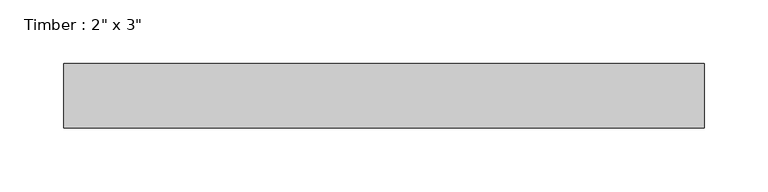
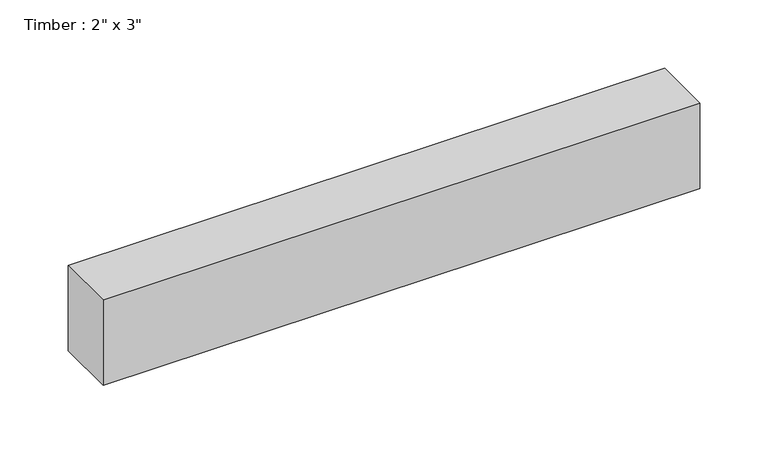
"""IFC4 building model written with IfcOpenShell, lengths in millimetres: beam geometry."""

from ifc_helpers import new_model, si_unit, frame, origin, place, context, project, spatial, polyline, outline, extrude, source, transform, mapped, element, save


def beam_e40b1df0(model_context):
    return source(origin(), model_context, "Body", "SweptSolid", [
        extrude(outline(polyline([(251.3901686, -25.4), (-251.3901686, -25.4), (-251.3901686, 25.4), (251.3901686, 25.4), (251.3901686, -25.4)])), frame((0.0, 0.0, -38.1), z_axis=(0.0, 0.0, 1.0), x_axis=(1.0, 0.0, 0.0)), (0.0, 0.0, 1.0), 76.2),
    ])


if __name__ == "__main__":
    model = new_model("IFC4")
    model_context = context("Model", 3, world=origin())
    ifc_project = project(units=[si_unit("LENGTHUNIT", "METRE", prefix="MILLI")], contexts=[model_context])
    site = spatial("IfcSite", under=ifc_project)
    building = spatial("IfcBuilding", under=site)
    placement = place(None, origin())
    beam_shape = beam_e40b1df0(model_context)
    element("IfcBeam", 1, ObjectType="Timber : 2\" x 3\"", at=placement, inside=building, context=model_context, shape_type="MappedRepresentation", body=[
        mapped(beam_shape, transform((0.0, 0.0, 0.0), x_axis=(1.0, 0.0, 0.0), y_axis=(0.0, 1.0, 0.0), z_axis=(0.0, 0.0, 1.0))),
    ])
    save(model, "model.ifc")
